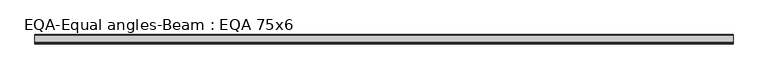
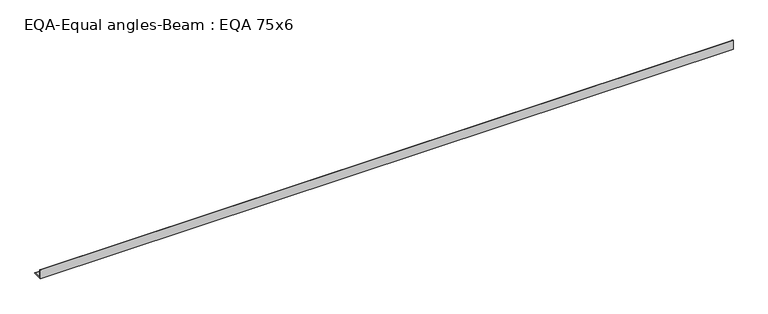
"""IFC4 building model written with IfcOpenShell, lengths in millimetres: beam geometry, EQA-Equal angles-Beam : EQA 75x6."""

from ifc_helpers import new_model, si_unit, point, frame, frame_2d, origin, place, context, project, spatial, polyline, circle_curve, trimmed, segment, composite_curve, outline, extrude, source, transform, mapped, element, save


def eqa_equal_angles_beam_eqa_75x6_b2416b8d(model_context):
    return source(origin(), model_context, "Body", "SweptSolid", [
        extrude(outline(composite_curve([segment(polyline([(-20.5, -20.5), (-20.5, 54.5), (-19.0, 54.5)]), True, "CONTINUOUS"), segment(trimmed(circle_curve(frame_2d((-19.0, 50.0)), 4.5), [point((-19.0, 54.5))], [point((-14.5, 50.0))], False, "CARTESIAN"), True, "CONTINUOUS"), segment(polyline([(-14.5, 50.0), (-14.5, -5.5)]), True, "CONTINUOUS"), segment(trimmed(circle_curve(frame_2d((-5.5, -5.5)), 9.0), [point((-14.5, -5.5))], [point((-5.5, -14.5))], True, "CARTESIAN"), True, "CONTINUOUS"), segment(polyline([(-5.5, -14.5), (50.0, -14.5)]), True, "CONTINUOUS"), segment(trimmed(circle_curve(frame_2d((50.0, -19.0)), 4.5), [point((50.0, -14.5))], [point((54.5, -19.0))], False, "CARTESIAN"), True, "CONTINUOUS"), segment(polyline([(54.5, -19.0), (54.5, -20.5), (-20.5, -20.5)]), True, "CONTINUOUS")], self_intersect=False)), frame((-2839.9134629, 0.0, 0.0), z_axis=(1.0, 0.0, 0.0), x_axis=(0.0, 1.0, 0.0)), (0.0, 0.0, 1.0), 5526.0188932),
    ])


if __name__ == "__main__":
    model = new_model("IFC4")
    model_context = context("Model", 3, world=origin())
    ifc_project = project(units=[si_unit("LENGTHUNIT", "METRE", prefix="MILLI")], contexts=[model_context])
    site = spatial("IfcSite", under=ifc_project)
    building = spatial("IfcBuilding", under=site)
    placement = place(None, origin())
    eqa_equal_angles_beam_eqa_75x6_shape = eqa_equal_angles_beam_eqa_75x6_b2416b8d(model_context)
    element("IfcBeam", 1, ObjectType="EQA-Equal angles-Beam : EQA 75x6", at=placement, inside=building, context=model_context, shape_type="MappedRepresentation", body=[
        mapped(eqa_equal_angles_beam_eqa_75x6_shape, transform((0.0, 0.0, 0.0), x_axis=(1.0, 0.0, 0.0), y_axis=(0.0, 1.0, 0.0), z_axis=(0.0, 0.0, 1.0))),
    ])
    save(model, "model.ifc")
